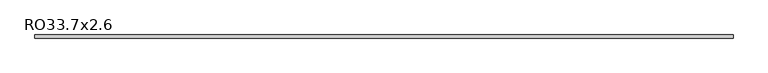
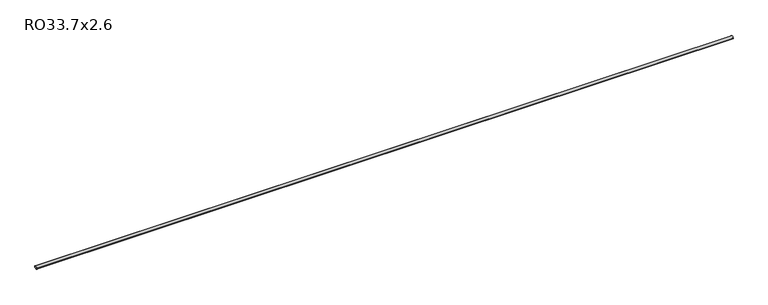
"""IFC4 building model written with IfcOpenShell, lengths in millimetres: beam geometry, RO33.7x2.6."""

from ifc_helpers import new_model, si_unit, point, frame, origin, origin_2d, place, context, project, spatial, circle_curve, trimmed, segment, composite_curve, outline, extrude, source, transform, mapped, element, save


def ro33_7x2_6_bc307f18(model_context):
    return source(origin(), model_context, "Body", "SweptSolid", [
        extrude(outline(composite_curve([segment(trimmed(circle_curve(origin_2d(), 16.85), [point((16.85, 0.0))], [point((-16.85, 0.0))], False, "CARTESIAN"), True, "CONTINUOUS"), segment(trimmed(circle_curve(origin_2d(), 16.85), [point((-16.85, 0.0))], [point((16.85, 0.0))], False, "CARTESIAN"), True, "CONTINUOUS")], self_intersect=False), holes=[composite_curve([segment(trimmed(circle_curve(origin_2d(), 14.25), [point((-14.25, 0.0))], [point((14.25, 0.0))], True, "CARTESIAN"), True, "CONTINUOUS"), segment(trimmed(circle_curve(origin_2d(), 14.25), [point((14.25, 0.0))], [point((-14.25, 0.0))], True, "CARTESIAN"), True, "CONTINUOUS")], self_intersect=False)]), frame((-3779.1, 0.0, 0.0), z_axis=(1.0, 0.0, 0.0), x_axis=(0.0, 1.0, 0.0)), (0.0, 0.0, 1.0), 7589.7),
    ])


if __name__ == "__main__":
    model = new_model("IFC4")
    model_context = context("Model", 3, world=origin())
    ifc_project = project(units=[si_unit("LENGTHUNIT", "METRE", prefix="MILLI")], contexts=[model_context])
    site = spatial("IfcSite", under=ifc_project)
    building = spatial("IfcBuilding", under=site)
    placement = place(None, origin())
    ro33_7x2_6_shape = ro33_7x2_6_bc307f18(model_context)
    element("IfcBeam", 1, ObjectType="RO33.7x2.6", at=placement, inside=building, context=model_context, shape_type="MappedRepresentation", body=[
        mapped(ro33_7x2_6_shape, transform((0.0, 0.0, 0.0), x_axis=(1.0, 0.0, 0.0), y_axis=(0.0, 1.0, 0.0), z_axis=(0.0, 0.0, 1.0))),
    ])
    save(model, "model.ifc")
